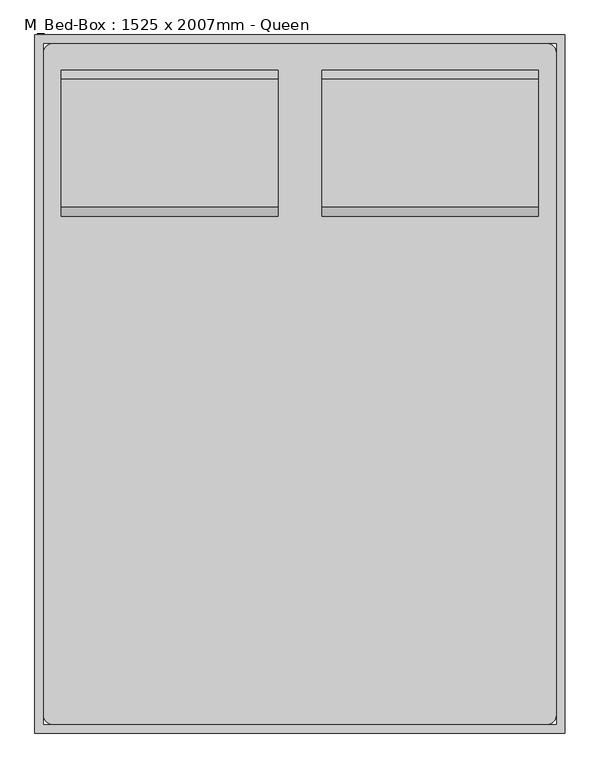
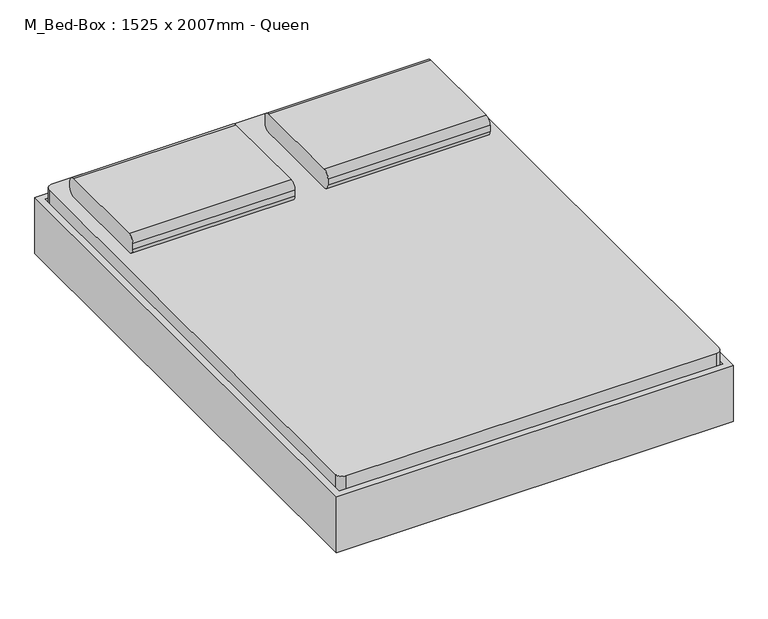
"""IFC4 building model written with IfcOpenShell, lengths in millimetres: furniture geometry, M_Bed-Box : 1525 x 2007mm - Queen."""

from ifc_helpers import new_model, si_unit, point, frame, frame_2d, origin, place, context, project, spatial, polyline, circle_curve, trimmed, segment, composite_curve, outline, extrude, source, transform, mapped, element, save
from ifc_brep_helpers import plane_surface, cylinder_surface, revolved_surface, advanced_brep


def m_bed_box_1525_x_2007mm_queen_e2603687(model_context):
    return source(origin(), model_context, "Body", "SolidModel", [
        extrude(outline(composite_curve([segment(polyline([(642.0704918, 406.4), (273.7704918, 406.4)]), True, "CONTINUOUS"), segment(trimmed(circle_curve(frame_2d((273.7704918, 431.8)), 25.4), [point((273.7704918, 406.4))], [point((248.3704918, 431.8))], False, "CARTESIAN"), True, "CONTINUOUS"), segment(polyline([(248.3704918, 431.8), (248.3704918, 457.2)]), True, "CONTINUOUS"), segment(trimmed(circle_curve(frame_2d((273.7704918, 457.2)), 25.4), [point((248.3704918, 457.2))], [point((273.7704918, 482.6))], False, "CARTESIAN"), True, "CONTINUOUS"), segment(polyline([(273.7704918, 482.6), (642.0704918, 482.6)]), True, "CONTINUOUS"), segment(trimmed(circle_curve(frame_2d((642.0704918, 457.2)), 25.4), [point((642.0704918, 482.6))], [point((667.4704918, 457.2))], False, "CARTESIAN"), True, "CONTINUOUS"), segment(polyline([(667.4704918, 457.2), (667.4704918, 431.8)]), True, "CONTINUOUS"), segment(trimmed(circle_curve(frame_2d((642.0704918, 431.8)), 25.4), [point((667.4704918, 431.8))], [point((642.0704918, 406.4))], False, "CARTESIAN"), True, "CONTINUOUS")], self_intersect=False)), frame((402.652459, 0.0, 0.0), z_axis=(1.0, 0.0, 0.0), x_axis=(0.0, 1.0, 0.0)), (0.0, 0.0, 1.0), 622.8),
        extrude(outline(composite_curve([segment(polyline([(642.0704918, 406.4), (273.7704918, 406.4)]), True, "CONTINUOUS"), segment(trimmed(circle_curve(frame_2d((273.7704918, 431.8)), 25.4), [point((273.7704918, 406.4))], [point((248.3704918, 431.8))], False, "CARTESIAN"), True, "CONTINUOUS"), segment(polyline([(248.3704918, 431.8), (248.3704918, 457.2)]), True, "CONTINUOUS"), segment(trimmed(circle_curve(frame_2d((273.7704918, 457.2)), 25.4), [point((248.3704918, 457.2))], [point((273.7704918, 482.6))], False, "CARTESIAN"), True, "CONTINUOUS"), segment(polyline([(273.7704918, 482.6), (642.0704918, 482.6)]), True, "CONTINUOUS"), segment(trimmed(circle_curve(frame_2d((642.0704918, 457.2)), 25.4), [point((642.0704918, 482.6))], [point((667.4704918, 457.2))], False, "CARTESIAN"), True, "CONTINUOUS"), segment(polyline([(667.4704918, 457.2), (667.4704918, 431.8)]), True, "CONTINUOUS"), segment(trimmed(circle_curve(frame_2d((642.0704918, 431.8)), 25.4), [point((667.4704918, 431.8))], [point((642.0704918, 406.4))], False, "CARTESIAN"), True, "CONTINUOUS")], self_intersect=False)), frame((-347.147541, 0.0, 0.0), z_axis=(1.0, 0.0, 0.0), x_axis=(0.0, 1.0, 0.0)), (0.0, 0.0, 1.0), 622.8),
        advanced_brep(
        [(-397.6231784, 515.0704918, 177.8), (-397.6231784, 438.8704918, 177.8), (-397.6231784, 438.8704918, 196.85), (-397.6231784, 515.0704918, 196.85), (-346.8231784, 515.0704918, 177.8), (-346.8231784, 438.8704918, 177.8), (-334.6869899, 438.8704918, 196.85), (-334.6869899, 515.0704918, 196.85), (-270.7523099, 515.0704918, 14.6654962), (-270.7523099, 438.8704918, 14.6654962), (-253.4871466, 438.8704918, 22.716374), (-253.4871466, 515.0704918, 22.716374), (-247.7320921, 438.8704918, 0.0), (-247.7320921, 515.0704918, 0.0), (-247.7320921, 438.8704918, 19.05), (-247.7320921, 515.0704918, 19.05), (-169.1195862, 515.0704918, 0.0), (-169.1195862, 438.8704918, 0.0), (-169.1195862, 438.8704918, 19.05), (-169.1195862, 515.0704918, 19.05), (-156.4195862, 438.8704918, 3.4029547), (-156.4195862, 515.0704918, 3.4029547), (-165.9445862, 438.8704918, 19.9007387), (-165.9445862, 515.0704918, 19.9007387), (-96.322541, 515.0704918, 38.1), (-96.322541, 438.8704918, 38.1), (-101.4269731, 438.8704918, 57.15), (-101.4269731, 515.0704918, 57.15), (774.9518216, 515.0704918, 38.1), (774.9518216, 438.8704918, 38.1), (780.0562537, 438.8704918, 57.15), (780.0562537, 515.0704918, 57.15), (835.0488669, 515.0704918, 3.4029547), (835.0488669, 438.8704918, 3.4029547), (844.5738669, 438.8704918, 19.9007387), (844.5738669, 515.0704918, 19.9007387), (847.7488669, 438.8704918, 0.0), (847.7488669, 515.0704918, 0.0), (847.7488669, 438.8704918, 19.05), (847.7488669, 515.0704918, 19.05), (926.3613728, 515.0704918, 0.0), (926.3613728, 438.8704918, 0.0), (926.3613728, 438.8704918, 19.05), (926.3613728, 515.0704918, 19.05), (949.3815906, 438.8704918, 14.6654962), (949.3815906, 515.0704918, 14.6654962), (932.1164272, 438.8704918, 22.716374), (932.1164272, 515.0704918, 22.716374), (1025.452459, 515.0704918, 177.8), (1025.452459, 438.8704918, 177.8), (1013.3162705, 438.8704918, 196.85), (1013.3162705, 515.0704918, 196.85), (1076.252459, 515.0704918, 177.8), (1076.252459, 515.0704918, 196.85), (1076.252459, 438.8704918, 196.85), (1076.252459, 438.8704918, 177.8)],
        [
            (0, 1),
            (1, 2),
            (2, 3),
            (3, 0),
            (0, 4),
            (4, 5),
            (5, 1),
            (5, 6),
            (6, 2),
            (6, 7),
            (7, 3),
            (7, 4),
            (4, 8),
            (8, 9),
            (9, 5),
            (9, 10),
            (10, 6),
            (10, 11),
            (11, 7),
            (11, 8),
            (12, 9, circle_curve(frame((-247.7320921, 438.8704918, 25.4), z_axis=(0.0, 1.0, 0.0), x_axis=(-0.906307787036649, 0.0, -0.4226182617407015)), 25.4)),
            (8, 13, circle_curve(frame((-247.7320921, 515.0704918, 25.4), z_axis=(0.0, -1.0, 0.0), x_axis=(-0.906307787036649, 0.0, -0.4226182617407015)), 25.4)),
            (13, 12),
            (14, 10, circle_curve(frame((-247.7320921, 438.8704918, 25.4), z_axis=(0.0, 1.0, 0.0), x_axis=(-0.906307787036649, 0.0, -0.4226182617407015)), 6.35)),
            (12, 14),
            (15, 11, circle_curve(frame((-247.7320921, 515.0704918, 25.4), z_axis=(0.0, 1.0, 0.0), x_axis=(-0.906307787036649, 0.0, -0.4226182617407015)), 6.35)),
            (14, 15),
            (15, 13),
            (13, 16),
            (16, 17),
            (17, 12),
            (17, 18),
            (18, 14),
            (18, 19),
            (19, 15),
            (19, 16),
            (20, 17, circle_curve(frame((-169.1195862, 438.8704918, 25.4), z_axis=(0.0, 1.0, 0.0), x_axis=(0.0, 0.0, -1.0)), 25.4)),
            (16, 21, circle_curve(frame((-169.1195862, 515.0704918, 25.4), z_axis=(0.0, -1.0, 0.0), x_axis=(0.0, 0.0, -1.0)), 25.4)),
            (21, 20),
            (22, 18, circle_curve(frame((-169.1195862, 438.8704918, 25.4), z_axis=(0.0, 1.0, 0.0), x_axis=(0.0, 0.0, -1.0)), 6.35)),
            (20, 22),
            (23, 19, circle_curve(frame((-169.1195862, 515.0704918, 25.4), z_axis=(0.0, 1.0, 0.0), x_axis=(0.0, 0.0, -1.0)), 6.35)),
            (22, 23),
            (23, 21),
            (21, 24),
            (24, 25),
            (25, 20),
            (25, 26),
            (26, 22),
            (26, 27),
            (27, 23),
            (27, 24),
            (24, 28),
            (28, 29),
            (29, 25),
            (29, 30),
            (30, 26),
            (30, 31),
            (31, 27),
            (31, 28),
            (28, 32),
            (32, 33),
            (33, 29),
            (33, 34),
            (34, 30),
            (34, 35),
            (35, 31),
            (35, 32),
            (36, 33, circle_curve(frame((847.7488669, 438.8704918, 25.4), z_axis=(0.0, 1.0, 0.0), x_axis=(-0.5000000000000463, 0.0, -0.8660254037844118)), 25.4)),
            (32, 37, circle_curve(frame((847.7488669, 515.0704918, 25.4), z_axis=(0.0, -1.0, 0.0), x_axis=(-0.5000000000000463, 0.0, -0.8660254037844118)), 25.4)),
            (37, 36),
            (38, 34, circle_curve(frame((847.7488669, 438.8704918, 25.4), z_axis=(0.0, 1.0, 0.0), x_axis=(-0.5000000000000463, 0.0, -0.8660254037844118)), 6.35)),
            (36, 38),
            (39, 35, circle_curve(frame((847.7488669, 515.0704918, 25.4), z_axis=(0.0, 1.0, 0.0), x_axis=(-0.5000000000000463, 0.0, -0.8660254037844118)), 6.35)),
            (38, 39),
            (39, 37),
            (37, 40),
            (40, 41),
            (41, 36),
            (41, 42),
            (42, 38),
            (42, 43),
            (43, 39),
            (43, 40),
            (44, 41, circle_curve(frame((926.3613728, 438.8704918, 25.4), z_axis=(0.0, 1.0, 0.0), x_axis=(0.0, 0.0, -1.0)), 25.4)),
            (40, 45, circle_curve(frame((926.3613728, 515.0704918, 25.4), z_axis=(0.0, -1.0, 0.0), x_axis=(0.0, 0.0, -1.0)), 25.4)),
            (45, 44),
            (46, 42, circle_curve(frame((926.3613728, 438.8704918, 25.4), z_axis=(0.0, 1.0, 0.0), x_axis=(0.0, 0.0, -1.0)), 6.35)),
            (44, 46),
            (47, 43, circle_curve(frame((926.3613728, 515.0704918, 25.4), z_axis=(0.0, 1.0, 0.0), x_axis=(0.0, 0.0, -1.0)), 6.35)),
            (46, 47),
            (47, 45),
            (45, 48),
            (48, 49),
            (49, 44),
            (49, 50),
            (50, 46),
            (50, 51),
            (51, 47),
            (51, 48),
            (52, 53),
            (53, 54),
            (54, 55),
            (55, 52),
            (48, 52),
            (55, 49),
            (54, 50),
            (53, 51),
        ],
        [
            plane_surface(frame((-397.6231784, 769.0704918, -152.9490627), z_axis=(-1.0, 0.0, 0.0), x_axis=(0.0, 1.0, 0.0))),
            plane_surface(frame((-397.6231784, 515.0704918, 177.8), z_axis=(0.0, 0.0, -1.0), x_axis=(1.0, 0.0, 0.0))),
            plane_surface(frame((-397.6231784, 438.8704918, 177.8), z_axis=(0.0, -1.0, 0.0), x_axis=(1.0, 0.0, 0.0))),
            plane_surface(frame((-397.6231784, 438.8704918, 196.85), z_axis=(0.0, 0.0, 1.0), x_axis=(1.0, 0.0, 0.0))),
            plane_surface(frame((-397.6231784, 515.0704918, 196.85), z_axis=(0.0, 1.0, 0.0), x_axis=(1.0, 0.0, 0.0))),
            plane_surface(frame((-346.8231784, 515.0704918, 177.8), z_axis=(-0.9063077870366485, 0.0, -0.4226182617407029), x_axis=(0.4226182617407029, 0.0, -0.9063077870366485))),
            plane_surface(frame((-346.8231784, 438.8704918, 177.8), z_axis=(0.0, -1.0, 0.0), x_axis=(0.42261826174070266, 0.0, -0.9063077870366485))),
            plane_surface(frame((-334.6869899, 438.8704918, 196.85), z_axis=(0.9063077870366486, 0.0, 0.4226182617407026), x_axis=(0.4226182617407026, 0.0, -0.9063077870366486))),
            plane_surface(frame((-334.6869899, 515.0704918, 196.85), z_axis=(0.0, 1.0, 0.0), x_axis=(0.42261826174070266, 0.0, -0.9063077870366485))),
            cylinder_surface(frame((-247.7320921, 769.0704918, 25.4), z_axis=(0.0, -1.0, 0.0), x_axis=(-0.906307787036649, 0.0, -0.4226182617407015)), 25.4),
            plane_surface(frame((-247.7320921, 438.8704918, 25.4), z_axis=(0.0, -1.0, 0.0), x_axis=(-0.906307787036649, 0.0, -0.4226182617407015))),
            revolved_surface(polyline([(-253.4871465476827, 438.8704918, 22.716374037946544), (-253.4871465476827, 515.0704918, 22.716374037946544)]), (-247.7320921, 769.0704918, 25.4), (0.0, -1.0, 0.0)),
            plane_surface(frame((-247.7320921, 515.0704918, 25.4), z_axis=(0.0, 1.0, 0.0), x_axis=(-0.906307787036649, 0.0, -0.4226182617407015))),
            plane_surface(frame((-247.7320921, 515.0704918, 0.0), z_axis=(0.0, 0.0, -1.0), x_axis=(1.0, 0.0, 0.0))),
            plane_surface(frame((-247.7320921, 438.8704918, 0.0), z_axis=(0.0, -1.0, 0.0), x_axis=(1.0, 0.0, 0.0))),
            plane_surface(frame((-247.7320921, 438.8704918, 19.05), z_axis=(0.0, 0.0, 1.0), x_axis=(1.0, 0.0, 0.0))),
            plane_surface(frame((-247.7320921, 515.0704918, 19.05), z_axis=(0.0, 1.0, 0.0), x_axis=(1.0, 0.0, 0.0))),
            cylinder_surface(frame((-169.1195862, 769.0704918, 25.4), z_axis=(0.0, -1.0, 0.0), x_axis=(0.0, 0.0, -1.0)), 25.4),
            plane_surface(frame((-169.1195862, 438.8704918, 25.4), z_axis=(0.0, -1.0, 0.0), x_axis=(0.0, 0.0, -1.0))),
            revolved_surface(polyline([(-169.1195862, 438.8704918, 19.049999999999997), (-169.1195862, 515.0704918, 19.049999999999997)]), (-169.1195862, 769.0704918, 25.4), (0.0, -1.0, 0.0)),
            plane_surface(frame((-169.1195862, 515.0704918, 25.4), z_axis=(0.0, 1.0, 0.0), x_axis=(0.0, 0.0, -1.0))),
            plane_surface(frame((-156.4195862, 515.0704918, 3.4029547), z_axis=(0.49999999999987765, 0.0, -0.8660254037845093), x_axis=(0.8660254037845093, 0.0, 0.49999999999987765))),
            plane_surface(frame((-156.4195862, 438.8704918, 3.4029547), z_axis=(0.0, -1.0, 0.0), x_axis=(0.8660254037845091, 0.0, 0.499999999999878))),
            plane_surface(frame((-165.9445862, 438.8704918, 19.9007387), z_axis=(-0.49999999999987765, 0.0, 0.8660254037845093), x_axis=(0.8660254037845093, 0.0, 0.49999999999987765))),
            plane_surface(frame((-165.9445862, 515.0704918, 19.9007387), z_axis=(0.0, 1.0000000000000002, 0.0), x_axis=(0.8660254037845089, 0.0, 0.4999999999998785))),
            plane_surface(frame((-96.322541, 515.0704918, 38.1), z_axis=(0.0, 0.0, -1.0), x_axis=(1.0, 0.0, 0.0))),
            plane_surface(frame((-96.322541, 438.8704918, 38.1), z_axis=(0.0, -1.0, 0.0), x_axis=(1.0, 0.0, 0.0))),
            plane_surface(frame((-101.4269731, 438.8704918, 57.15), z_axis=(0.0, 0.0, 1.0), x_axis=(1.0, 0.0, 0.0))),
            plane_surface(frame((-101.4269731, 515.0704918, 57.15), z_axis=(0.0, 1.0, 0.0), x_axis=(1.0, 0.0, 0.0))),
            plane_surface(frame((774.9518216, 515.0704918, 38.1), z_axis=(-0.5000000000000452, 0.0, -0.8660254037844126), x_axis=(0.8660254037844126, 0.0, -0.5000000000000452))),
            plane_surface(frame((774.9518216, 438.8704918, 38.1), z_axis=(0.0, -1.0, 0.0), x_axis=(0.8660254037844124, 0.0, -0.5000000000000455))),
            plane_surface(frame((780.0562537, 438.8704918, 57.15), z_axis=(0.5000000000000464, 0.0, 0.8660254037844118), x_axis=(0.8660254037844118, 0.0, -0.5000000000000464))),
            plane_surface(frame((780.0562537, 515.0704918, 57.15), z_axis=(0.0, 1.0000000000000002, 0.0), x_axis=(0.866025403784413, 0.0, -0.5000000000000447))),
            cylinder_surface(frame((847.7488669, 769.0704918, 25.4), z_axis=(0.0, -1.0, 0.0), x_axis=(-0.5000000000000463, 0.0, -0.8660254037844118)), 25.4),
            plane_surface(frame((847.7488669, 438.8704918, 25.4), z_axis=(0.0, -1.0000000000000002, 0.0), x_axis=(-0.5000000000000464, 0.0, -0.866025403784412))),
            revolved_surface(polyline([(844.5738668999998, 438.8704918, 19.90073868596898), (844.5738668999998, 515.0704918, 19.90073868596898)]), (847.7488669, 769.0704918, 25.4), (0.0, -1.0, 0.0)),
            plane_surface(frame((847.7488669, 515.0704918, 25.4), z_axis=(0.0, 1.0000000000000002, 0.0), x_axis=(-0.5000000000000464, 0.0, -0.866025403784412))),
            plane_surface(frame((847.7488669, 515.0704918, 0.0), z_axis=(0.0, 0.0, -1.0), x_axis=(1.0, 0.0, 0.0))),
            plane_surface(frame((847.7488669, 438.8704918, 0.0), z_axis=(0.0, -1.0, 0.0), x_axis=(1.0, 0.0, 0.0))),
            plane_surface(frame((847.7488669, 438.8704918, 19.05), z_axis=(0.0, 0.0, 1.0), x_axis=(1.0, 0.0, 0.0))),
            plane_surface(frame((847.7488669, 515.0704918, 19.05), z_axis=(0.0, 1.0, 0.0), x_axis=(1.0, 0.0, 0.0))),
            cylinder_surface(frame((926.3613728, 769.0704918, 25.4), z_axis=(0.0, -1.0, 0.0), x_axis=(0.0, 0.0, -1.0)), 25.4),
            plane_surface(frame((926.3613728, 438.8704918, 25.4), z_axis=(0.0, -1.0, 0.0), x_axis=(0.0, 0.0, -1.0))),
            revolved_surface(polyline([(926.3613728, 438.8704918, 19.049999999999997), (926.3613728, 515.0704918, 19.049999999999997)]), (926.3613728, 769.0704918, 25.4), (0.0, -1.0, 0.0)),
            plane_surface(frame((926.3613728, 515.0704918, 25.4), z_axis=(0.0, 1.0, 0.0), x_axis=(0.0, 0.0, -1.0))),
            plane_surface(frame((949.3815906, 515.0704918, 14.6654962), z_axis=(0.9063077870366805, 0.0, -0.422618261740634), x_axis=(0.422618261740634, 0.0, 0.9063077870366805))),
            plane_surface(frame((949.3815906, 438.8704918, 14.6654962), z_axis=(0.0, -1.0, 0.0), x_axis=(0.4226182617406339, 0.0, 0.9063077870366806))),
            plane_surface(frame((932.1164272, 438.8704918, 22.716374), z_axis=(-0.9063077870366808, 0.0, 0.4226182617406335), x_axis=(0.4226182617406335, 0.0, 0.9063077870366808))),
            plane_surface(frame((932.1164272, 515.0704918, 22.716374), z_axis=(0.0, 1.0, 0.0), x_axis=(0.42261826174063294, 0.0, 0.906307787036681))),
            plane_surface(frame((1076.252459, 769.0704918, -152.9490627), z_axis=(1.0, 0.0, 0.0), x_axis=(0.0, 1.0, 0.0))),
            plane_surface(frame((1025.452459, 515.0704918, 177.8), z_axis=(0.0, 0.0, -1.0), x_axis=(1.0, 0.0, 0.0))),
            plane_surface(frame((1025.452459, 438.8704918, 177.8), z_axis=(0.0, -1.0, 0.0), x_axis=(1.0, 0.0, 0.0))),
            plane_surface(frame((1013.3162705, 438.8704918, 196.85), z_axis=(0.0, 0.0, 1.0), x_axis=(1.0, 0.0, 0.0))),
            plane_surface(frame((1013.3162705, 515.0704918, 196.85), z_axis=(0.0, 1.0, 0.0), x_axis=(1.0, 0.0, 0.0))),
        ],
        [
            (0, [[1, 2, 3, 4]]),
            (1, [[-1, 5, 6, 7]]),
            (2, [[-2, -7, 8, 9]]),
            (3, [[-3, -9, 10, 11]]),
            (4, [[-4, -11, 12, -5]]),
            (5, [[-6, 13, 14, 15]]),
            (6, [[-8, -15, 16, 17]]),
            (7, [[-10, -17, 18, 19]]),
            (8, [[-12, -19, 20, -13]]),
            (9, [[21, -14, 22, 23]]),
            (10, [[24, -16, -21, 25]]),
            (11, [[26, -18, -24, 27]]),
            (12, [[-22, -20, -26, 28]]),
            (13, [[-23, 29, 30, 31]]),
            (14, [[-25, -31, 32, 33]]),
            (15, [[-27, -33, 34, 35]]),
            (16, [[-28, -35, 36, -29]]),
            (17, [[37, -30, 38, 39]]),
            (18, [[40, -32, -37, 41]]),
            (19, [[42, -34, -40, 43]]),
            (20, [[-38, -36, -42, 44]]),
            (21, [[-39, 45, 46, 47]]),
            (22, [[-41, -47, 48, 49]]),
            (23, [[-43, -49, 50, 51]]),
            (24, [[-44, -51, 52, -45]]),
            (25, [[-46, 53, 54, 55]]),
            (26, [[-48, -55, 56, 57]]),
            (27, [[-50, -57, 58, 59]]),
            (28, [[-52, -59, 60, -53]]),
            (29, [[-54, 61, 62, 63]]),
            (30, [[-56, -63, 64, 65]]),
            (31, [[-58, -65, 66, 67]]),
            (32, [[-60, -67, 68, -61]]),
            (33, [[69, -62, 70, 71]]),
            (34, [[72, -64, -69, 73]]),
            (35, [[74, -66, -72, 75]]),
            (36, [[-70, -68, -74, 76]]),
            (37, [[-71, 77, 78, 79]]),
            (38, [[-73, -79, 80, 81]]),
            (39, [[-75, -81, 82, 83]]),
            (40, [[-76, -83, 84, -77]]),
            (41, [[85, -78, 86, 87]]),
            (42, [[88, -80, -85, 89]]),
            (43, [[90, -82, -88, 91]]),
            (44, [[-86, -84, -90, 92]]),
            (45, [[-87, 93, 94, 95]]),
            (46, [[-89, -95, 96, 97]]),
            (47, [[-91, -97, 98, 99]]),
            (48, [[-92, -99, 100, -93]]),
            (49, [[101, 102, 103, 104]]),
            (50, [[-94, 105, -104, 106]]),
            (51, [[-96, -106, -103, 107]]),
            (52, [[-98, -107, -102, 108]]),
            (53, [[-100, -108, -101, -105]]),
        ],
    ),
        extrude(outline(composite_curve([segment(polyline([(-372.547541, 743.6704918), (1050.852459, 743.6704918)]), True, "CONTINUOUS"), segment(trimmed(circle_curve(frame_2d((1050.852459, 718.2704918)), 25.4), [point((1050.852459, 743.6704918))], [point((1076.252459, 718.2704918))], False, "CARTESIAN"), True, "CONTINUOUS"), segment(polyline([(1076.252459, 718.2704918), (1076.252459, -1187.1295082)]), True, "CONTINUOUS"), segment(trimmed(circle_curve(frame_2d((1050.852459, -1187.1295082)), 25.4), [point((1076.252459, -1187.1295082))], [point((1050.852459, -1212.5295082))], False, "CARTESIAN"), True, "CONTINUOUS"), segment(polyline([(1050.852459, -1212.5295082), (-372.547541, -1212.5295082)]), True, "CONTINUOUS"), segment(trimmed(circle_curve(frame_2d((-372.547541, -1187.1295082)), 25.4), [point((-372.547541, -1212.5295082))], [point((-397.947541, -1187.1295082))], False, "CARTESIAN"), True, "CONTINUOUS"), segment(polyline([(-397.947541, -1187.1295082), (-397.947541, 718.2704918)]), True, "CONTINUOUS"), segment(trimmed(circle_curve(frame_2d((-372.547541, 718.2704918)), 25.4), [point((-397.947541, 718.2704918))], [point((-372.547541, 743.6704918))], False, "CARTESIAN"), True, "CONTINUOUS")], self_intersect=False)), frame((0.0, 0.0, 203.2), z_axis=(0.0, 0.0, 1.0), x_axis=(1.0, 0.0, 0.0)), (0.0, 0.0, 1.0), 203.2),
        advanced_brep(
        [(-397.947541, -933.1295082, 196.85), (-397.947541, -933.1295082, 177.8), (-397.947541, -1009.3295082, 177.8), (-397.947541, -1009.3295082, 196.85), (-335.0113525, -933.1295082, 196.85), (-347.147541, -933.1295082, 177.8), (-347.147541, -1009.3295082, 177.8), (-335.0113525, -1009.3295082, 196.85), (-253.8115092, -933.1295082, 22.716374), (-271.0766725, -933.1295082, 14.6654962), (-271.0766725, -1009.3295082, 14.6654962), (-253.8115092, -1009.3295082, 22.716374), (-248.0564547, -933.1295082, 0.0), (-248.0564547, -933.1295082, 19.05), (-248.0564547, -1009.3295082, 0.0), (-248.0564547, -1009.3295082, 19.05), (-169.4439489, -933.1295082, 19.05), (-169.4439489, -933.1295082, 0.0), (-169.4439489, -1009.3295082, 0.0), (-169.4439489, -1009.3295082, 19.05), (-156.7439489, -933.1295082, 3.4029547), (-166.2689489, -933.1295082, 19.9007387), (-156.7439489, -1009.3295082, 3.4029547), (-166.2689489, -1009.3295082, 19.9007387), (-101.7513357, -933.1295082, 57.15), (-96.6469036, -933.1295082, 38.1), (-96.6469036, -1009.3295082, 38.1), (-101.7513357, -1009.3295082, 57.15), (780.0562537, -933.1295082, 57.15), (774.9518216, -933.1295082, 38.1), (774.9518216, -1009.3295082, 38.1), (780.0562537, -1009.3295082, 57.15), (844.5738669, -933.1295082, 19.9007387), (835.0488669, -933.1295082, 3.4029547), (835.0488669, -1009.3295082, 3.4029547), (844.5738669, -1009.3295082, 19.9007387), (847.7488669, -933.1295082, 0.0), (847.7488669, -933.1295082, 19.05), (847.7488669, -1009.3295082, 0.0), (847.7488669, -1009.3295082, 19.05), (926.3613728, -933.1295082, 19.05), (926.3613728, -933.1295082, 0.0), (926.3613728, -1009.3295082, 0.0), (926.3613728, -1009.3295082, 19.05), (949.3815906, -933.1295082, 14.6654962), (932.1164272, -933.1295082, 22.716374), (949.3815906, -1009.3295082, 14.6654962), (932.1164272, -1009.3295082, 22.716374), (1013.3162705, -933.1295082, 196.85), (1025.452459, -933.1295082, 177.8), (1025.452459, -1009.3295082, 177.8), (1013.3162705, -1009.3295082, 196.85), (1076.252459, -933.1295082, 196.85), (1076.252459, -1009.3295082, 196.85), (1076.252459, -1009.3295082, 177.8), (1076.252459, -933.1295082, 177.8)],
        [
            (0, 1),
            (1, 2),
            (2, 3),
            (3, 0),
            (0, 4),
            (4, 5),
            (5, 1),
            (5, 6),
            (6, 2),
            (6, 7),
            (7, 3),
            (7, 4),
            (4, 8),
            (8, 9),
            (9, 5),
            (9, 10),
            (10, 6),
            (10, 11),
            (11, 7),
            (11, 8),
            (12, 9, circle_curve(frame((-248.0564547, -933.1295082, 25.4), z_axis=(0.0, 1.0, 0.0), x_axis=(-0.9063077870366625, 0.0, -0.4226182617406725)), 25.4)),
            (8, 13, circle_curve(frame((-248.0564547, -933.1295082, 25.4), z_axis=(0.0, -1.0, 0.0), x_axis=(-0.9063077870366625, 0.0, -0.4226182617406725)), 6.35)),
            (13, 12),
            (14, 10, circle_curve(frame((-248.0564547, -1009.3295082, 25.4), z_axis=(0.0, 1.0, 0.0), x_axis=(-0.9063077870366625, 0.0, -0.4226182617406725)), 25.4)),
            (12, 14),
            (15, 11, circle_curve(frame((-248.0564547, -1009.3295082, 25.4), z_axis=(0.0, 1.0, 0.0), x_axis=(-0.9063077870366625, 0.0, -0.4226182617406725)), 6.35)),
            (14, 15),
            (15, 13),
            (13, 16),
            (16, 17),
            (17, 12),
            (17, 18),
            (18, 14),
            (18, 19),
            (19, 15),
            (19, 16),
            (20, 17, circle_curve(frame((-169.4439489, -933.1295082, 25.4), z_axis=(0.0, 1.0, 0.0), x_axis=(0.0, 0.0, -1.0)), 25.4)),
            (16, 21, circle_curve(frame((-169.4439489, -933.1295082, 25.4), z_axis=(0.0, -1.0, 0.0), x_axis=(0.0, 0.0, -1.0)), 6.35)),
            (21, 20),
            (22, 18, circle_curve(frame((-169.4439489, -1009.3295082, 25.4), z_axis=(0.0, 1.0, 0.0), x_axis=(0.0, 0.0, -1.0)), 25.4)),
            (20, 22),
            (23, 19, circle_curve(frame((-169.4439489, -1009.3295082, 25.4), z_axis=(0.0, 1.0, 0.0), x_axis=(0.0, 0.0, -1.0)), 6.35)),
            (22, 23),
            (23, 21),
            (21, 24),
            (24, 25),
            (25, 20),
            (25, 26),
            (26, 22),
            (26, 27),
            (27, 23),
            (27, 24),
            (24, 28),
            (28, 29),
            (29, 25),
            (29, 30),
            (30, 26),
            (30, 31),
            (31, 27),
            (31, 28),
            (28, 32),
            (32, 33),
            (33, 29),
            (33, 34),
            (34, 30),
            (34, 35),
            (35, 31),
            (35, 32),
            (36, 33, circle_curve(frame((847.7488669, -933.1295082, 25.4), z_axis=(0.0, 1.0, 0.0), x_axis=(-0.5000000000000528, 0.0, -0.8660254037844081)), 25.4)),
            (32, 37, circle_curve(frame((847.7488669, -933.1295082, 25.4), z_axis=(0.0, -1.0, 0.0), x_axis=(-0.5000000000000528, 0.0, -0.8660254037844081)), 6.35)),
            (37, 36),
            (38, 34, circle_curve(frame((847.7488669, -1009.3295082, 25.4), z_axis=(0.0, 1.0, 0.0), x_axis=(-0.5000000000000528, 0.0, -0.8660254037844081)), 25.4)),
            (36, 38),
            (39, 35, circle_curve(frame((847.7488669, -1009.3295082, 25.4), z_axis=(0.0, 1.0, 0.0), x_axis=(-0.5000000000000528, 0.0, -0.8660254037844081)), 6.35)),
            (38, 39),
            (39, 37),
            (37, 40),
            (40, 41),
            (41, 36),
            (41, 42),
            (42, 38),
            (42, 43),
            (43, 39),
            (43, 40),
            (44, 41, circle_curve(frame((926.3613728, -933.1295082, 25.4), z_axis=(0.0, 1.0, 0.0), x_axis=(0.0, 0.0, -1.0)), 25.4)),
            (40, 45, circle_curve(frame((926.3613728, -933.1295082, 25.4), z_axis=(0.0, -1.0, 0.0), x_axis=(0.0, 0.0, -1.0)), 6.35)),
            (45, 44),
            (46, 42, circle_curve(frame((926.3613728, -1009.3295082, 25.4), z_axis=(0.0, 1.0, 0.0), x_axis=(0.0, 0.0, -1.0)), 25.4)),
            (44, 46),
            (47, 43, circle_curve(frame((926.3613728, -1009.3295082, 25.4), z_axis=(0.0, 1.0, 0.0), x_axis=(0.0, 0.0, -1.0)), 6.35)),
            (46, 47),
            (47, 45),
            (45, 48),
            (48, 49),
            (49, 44),
            (49, 50),
            (50, 46),
            (50, 51),
            (51, 47),
            (51, 48),
            (52, 53),
            (53, 54),
            (54, 55),
            (55, 52),
            (48, 52),
            (55, 49),
            (54, 50),
            (53, 51),
        ],
        [
            plane_surface(frame((-397.947541, -1237.9295082, -127.5947323), z_axis=(-1.0, 0.0, 0.0), x_axis=(0.0, 1.0, 0.0))),
            plane_surface(frame((-397.947541, -933.1295082, 196.85), z_axis=(0.0, 1.0, 0.0), x_axis=(1.0, 0.0, 0.0))),
            plane_surface(frame((-397.947541, -933.1295082, 177.8), z_axis=(0.0, 0.0, -1.0), x_axis=(1.0, 0.0, 0.0))),
            plane_surface(frame((-397.947541, -1009.3295082, 177.8), z_axis=(0.0, -1.0, 0.0), x_axis=(1.0, 0.0, 0.0))),
            plane_surface(frame((-397.947541, -1009.3295082, 196.85), z_axis=(0.0, 0.0, 1.0), x_axis=(1.0, 0.0, 0.0))),
            plane_surface(frame((-335.0113525, -933.1295082, 196.85), z_axis=(0.0, 1.0, 0.0), x_axis=(0.42261826174067124, 0.0, -0.9063077870366631))),
            plane_surface(frame((-347.147541, -933.1295082, 177.8), z_axis=(-0.9063077870366631, 0.0, -0.42261826174067113), x_axis=(0.42261826174067113, 0.0, -0.9063077870366631))),
            plane_surface(frame((-347.147541, -1009.3295082, 177.8), z_axis=(0.0, -1.0, 0.0), x_axis=(0.422618261740671, 0.0, -0.9063077870366633))),
            plane_surface(frame((-335.0113525, -1009.3295082, 196.85), z_axis=(0.9063077870366631, 0.0, 0.42261826174067124), x_axis=(0.42261826174067124, 0.0, -0.9063077870366631))),
            plane_surface(frame((-248.0564547, -933.1295082, 25.4), z_axis=(0.0, 1.0, 0.0), x_axis=(-0.9063077870366625, 0.0, -0.4226182617406725))),
            cylinder_surface(frame((-248.0564547, -1237.9295082, 25.4), z_axis=(0.0, -1.0, 0.0), x_axis=(-0.9063077870366625, 0.0, -0.4226182617406725)), 25.4),
            plane_surface(frame((-248.0564547, -1009.3295082, 25.4), z_axis=(0.0, -1.0, 0.0), x_axis=(-0.9063077870366625, 0.0, -0.4226182617406725))),
            revolved_surface(polyline([(-253.81150914768278, -1009.3295082, 22.71637403794673), (-253.81150914768278, -933.1295082, 22.71637403794673)]), (-248.0564547, -1237.9295082, 25.4), (0.0, -1.0, 0.0)),
            plane_surface(frame((-248.0564547, -933.1295082, 19.05), z_axis=(0.0, 1.0, 0.0), x_axis=(1.0, 0.0, 0.0))),
            plane_surface(frame((-248.0564547, -933.1295082, 0.0), z_axis=(0.0, 0.0, -1.0), x_axis=(1.0, 0.0, 0.0))),
            plane_surface(frame((-248.0564547, -1009.3295082, 0.0), z_axis=(0.0, -1.0, 0.0), x_axis=(1.0, 0.0, 0.0))),
            plane_surface(frame((-248.0564547, -1009.3295082, 19.05), z_axis=(0.0, 0.0, 1.0), x_axis=(1.0, 0.0, 0.0))),
            plane_surface(frame((-169.4439489, -933.1295082, 25.4), z_axis=(0.0, 1.0, 0.0), x_axis=(0.0, 0.0, -1.0))),
            cylinder_surface(frame((-169.4439489, -1237.9295082, 25.4), z_axis=(0.0, -1.0, 0.0), x_axis=(0.0, 0.0, -1.0)), 25.4),
            plane_surface(frame((-169.4439489, -1009.3295082, 25.4), z_axis=(0.0, -1.0, 0.0), x_axis=(0.0, 0.0, -1.0))),
            revolved_surface(polyline([(-169.4439489, -1009.3295082, 19.049999999999997), (-169.4439489, -933.1295082, 19.049999999999997)]), (-169.4439489, -1237.9295082, 25.4), (0.0, -1.0, 0.0)),
            plane_surface(frame((-166.2689489, -933.1295082, 19.9007387), z_axis=(0.0, 1.0, 0.0), x_axis=(0.8660254037844788, 0.0, 0.49999999999993056))),
            plane_surface(frame((-156.7439489, -933.1295082, 3.4029547), z_axis=(0.4999999999999305, 0.0, -0.8660254037844788), x_axis=(0.8660254037844788, 0.0, 0.4999999999999305))),
            plane_surface(frame((-156.7439489, -1009.3295082, 3.4029547), z_axis=(0.0, -1.0, 0.0), x_axis=(0.8660254037844788, 0.0, 0.49999999999993044))),
            plane_surface(frame((-166.2689489, -1009.3295082, 19.9007387), z_axis=(-0.49999999999993033, 0.0, 0.8660254037844789), x_axis=(0.8660254037844789, 0.0, 0.49999999999993033))),
            plane_surface(frame((-101.7513357, -933.1295082, 57.15), z_axis=(0.0, 1.0, 0.0), x_axis=(1.0, 0.0, 0.0))),
            plane_surface(frame((-96.6469036, -933.1295082, 38.1), z_axis=(0.0, 0.0, -1.0), x_axis=(1.0, 0.0, 0.0))),
            plane_surface(frame((-96.6469036, -1009.3295082, 38.1), z_axis=(0.0, -1.0, 0.0), x_axis=(1.0, 0.0, 0.0))),
            plane_surface(frame((-101.7513357, -1009.3295082, 57.15), z_axis=(0.0, 0.0, 1.0), x_axis=(1.0, 0.0, 0.0))),
            plane_surface(frame((780.0562537, -933.1295082, 57.15), z_axis=(0.0, 1.0, 0.0), x_axis=(0.8660254037844092, 0.0, -0.5000000000000511))),
            plane_surface(frame((774.9518216, -933.1295082, 38.1), z_axis=(-0.5000000000000514, 0.0, -0.866025403784409), x_axis=(0.866025403784409, 0.0, -0.5000000000000514))),
            plane_surface(frame((774.9518216, -1009.3295082, 38.1), z_axis=(0.0, -1.0, 0.0), x_axis=(0.8660254037844092, 0.0, -0.5000000000000512))),
            plane_surface(frame((780.0562537, -1009.3295082, 57.15), z_axis=(0.500000000000051, 0.0, 0.8660254037844093), x_axis=(0.8660254037844093, 0.0, -0.500000000000051))),
            plane_surface(frame((847.7488669, -933.1295082, 25.4), z_axis=(0.0, 1.0000000000000002, 0.0), x_axis=(-0.500000000000053, 0.0, -0.8660254037844082))),
            cylinder_surface(frame((847.7488669, -1237.9295082, 25.4), z_axis=(0.0, -1.0, 0.0), x_axis=(-0.5000000000000528, 0.0, -0.8660254037844081)), 25.4),
            plane_surface(frame((847.7488669, -1009.3295082, 25.4), z_axis=(0.0, -1.0000000000000002, 0.0), x_axis=(-0.500000000000053, 0.0, -0.8660254037844082))),
            revolved_surface(polyline([(844.5738668999998, -1009.3295082, 19.900738685969007), (844.5738668999998, -933.1295082, 19.900738685969007)]), (847.7488669, -1237.9295082, 25.4), (0.0, -1.0, 0.0)),
            plane_surface(frame((847.7488669, -933.1295082, 19.05), z_axis=(0.0, 1.0, 0.0), x_axis=(1.0, 0.0, 0.0))),
            plane_surface(frame((847.7488669, -933.1295082, 0.0), z_axis=(0.0, 0.0, -1.0), x_axis=(1.0, 0.0, 0.0))),
            plane_surface(frame((847.7488669, -1009.3295082, 0.0), z_axis=(0.0, -1.0, 0.0), x_axis=(1.0, 0.0, 0.0))),
            plane_surface(frame((847.7488669, -1009.3295082, 19.05), z_axis=(0.0, 0.0, 1.0), x_axis=(1.0, 0.0, 0.0))),
            plane_surface(frame((926.3613728, -933.1295082, 25.4), z_axis=(0.0, 1.0, 0.0), x_axis=(0.0, 0.0, -1.0))),
            cylinder_surface(frame((926.3613728, -1237.9295082, 25.4), z_axis=(0.0, -1.0, 0.0), x_axis=(0.0, 0.0, -1.0)), 25.4),
            plane_surface(frame((926.3613728, -1009.3295082, 25.4), z_axis=(0.0, -1.0, 0.0), x_axis=(0.0, 0.0, -1.0))),
            revolved_surface(polyline([(926.3613728, -1009.3295082, 19.049999999999997), (926.3613728, -933.1295082, 19.049999999999997)]), (926.3613728, -1237.9295082, 25.4), (0.0, -1.0, 0.0)),
            plane_surface(frame((932.1164272, -933.1295082, 22.716374), z_axis=(0.0, 1.0, 0.0), x_axis=(0.42261826174053974, 0.0, 0.9063077870367244))),
            plane_surface(frame((949.3815906, -933.1295082, 14.6654962), z_axis=(0.9063077870367244, 0.0, -0.42261826174053996), x_axis=(0.42261826174053996, 0.0, 0.9063077870367244))),
            plane_surface(frame((949.3815906, -1009.3295082, 14.6654962), z_axis=(0.0, -1.0, 0.0), x_axis=(0.4226182617405396, 0.0, 0.9063077870367245))),
            plane_surface(frame((932.1164272, -1009.3295082, 22.716374), z_axis=(-0.9063077870367247, 0.0, 0.4226182617405392), x_axis=(0.4226182617405392, 0.0, 0.9063077870367247))),
            plane_surface(frame((1076.252459, -1237.9295082, -127.5947323), z_axis=(1.0, 0.0, 0.0), x_axis=(0.0, 1.0, 0.0))),
            plane_surface(frame((1013.3162705, -933.1295082, 196.85), z_axis=(0.0, 1.0, 0.0), x_axis=(1.0, 0.0, 0.0))),
            plane_surface(frame((1025.452459, -933.1295082, 177.8), z_axis=(0.0, 0.0, -1.0), x_axis=(1.0, 0.0, 0.0))),
            plane_surface(frame((1025.452459, -1009.3295082, 177.8), z_axis=(0.0, -1.0, 0.0), x_axis=(1.0, 0.0, 0.0))),
            plane_surface(frame((1013.3162705, -1009.3295082, 196.85), z_axis=(0.0, 0.0, 1.0), x_axis=(1.0, 0.0, 0.0))),
        ],
        [
            (0, [[1, 2, 3, 4]]),
            (1, [[-1, 5, 6, 7]]),
            (2, [[-2, -7, 8, 9]]),
            (3, [[-3, -9, 10, 11]]),
            (4, [[-4, -11, 12, -5]]),
            (5, [[-6, 13, 14, 15]]),
            (6, [[-8, -15, 16, 17]]),
            (7, [[-10, -17, 18, 19]]),
            (8, [[-12, -19, 20, -13]]),
            (9, [[21, -14, 22, 23]]),
            (10, [[24, -16, -21, 25]]),
            (11, [[26, -18, -24, 27]]),
            (12, [[-22, -20, -26, 28]]),
            (13, [[-23, 29, 30, 31]]),
            (14, [[-25, -31, 32, 33]]),
            (15, [[-27, -33, 34, 35]]),
            (16, [[-28, -35, 36, -29]]),
            (17, [[37, -30, 38, 39]]),
            (18, [[40, -32, -37, 41]]),
            (19, [[42, -34, -40, 43]]),
            (20, [[-38, -36, -42, 44]]),
            (21, [[-39, 45, 46, 47]]),
            (22, [[-41, -47, 48, 49]]),
            (23, [[-43, -49, 50, 51]]),
            (24, [[-44, -51, 52, -45]]),
            (25, [[-46, 53, 54, 55]]),
            (26, [[-48, -55, 56, 57]]),
            (27, [[-50, -57, 58, 59]]),
            (28, [[-52, -59, 60, -53]]),
            (29, [[-54, 61, 62, 63]]),
            (30, [[-56, -63, 64, 65]]),
            (31, [[-58, -65, 66, 67]]),
            (32, [[-60, -67, 68, -61]]),
            (33, [[69, -62, 70, 71]]),
            (34, [[72, -64, -69, 73]]),
            (35, [[74, -66, -72, 75]]),
            (36, [[-70, -68, -74, 76]]),
            (37, [[-71, 77, 78, 79]]),
            (38, [[-73, -79, 80, 81]]),
            (39, [[-75, -81, 82, 83]]),
            (40, [[-76, -83, 84, -77]]),
            (41, [[85, -78, 86, 87]]),
            (42, [[88, -80, -85, 89]]),
            (43, [[90, -82, -88, 91]]),
            (44, [[-86, -84, -90, 92]]),
            (45, [[-87, 93, 94, 95]]),
            (46, [[-89, -95, 96, 97]]),
            (47, [[-91, -97, 98, 99]]),
            (48, [[-92, -99, 100, -93]]),
            (49, [[101, 102, 103, 104]]),
            (50, [[-94, 105, -104, 106]]),
            (51, [[-96, -106, -103, 107]]),
            (52, [[-98, -107, -102, 108]]),
            (53, [[-100, -108, -101, -105]]),
        ],
    ),
        extrude(outline(polyline([(1101.652459, 769.0704918), (1101.652459, -1237.9295082), (-423.347541, -1237.9295082), (-423.347541, 769.0704918), (1101.652459, 769.0704918)]), holes=[polyline([(1076.252459, 743.6704918), (-397.947541, 743.6704918), (-397.947541, -1212.5295082), (1076.252459, -1212.5295082), (1076.252459, 743.6704918)])]), frame((0.0, 0.0, 127.0), z_axis=(0.0, 0.0, 1.0), x_axis=(1.0, 0.0, 0.0)), (0.0, 0.0, 1.0), 228.6),
    ])


if __name__ == "__main__":
    model = new_model("IFC4")
    model_context = context("Model", 3, world=origin())
    ifc_project = project(units=[si_unit("LENGTHUNIT", "METRE", prefix="MILLI")], contexts=[model_context])
    site = spatial("IfcSite", under=ifc_project)
    building = spatial("IfcBuilding", under=site)
    placement = place(None, origin())
    m_bed_box_1525_x_2007mm_queen_shape = m_bed_box_1525_x_2007mm_queen_e2603687(model_context)
    element("IfcFurniture", 1, ObjectType="M_Bed-Box : 1525 x 2007mm - Queen", at=placement, inside=building, context=model_context, shape_type="MappedRepresentation", body=[
        mapped(m_bed_box_1525_x_2007mm_queen_shape, transform((0.0, 0.0, 0.0), x_axis=(1.0, 0.0, 0.0), y_axis=(0.0, 1.0, 0.0), z_axis=(0.0, 0.0, 1.0))),
    ])
    save(model, "model.ifc")
